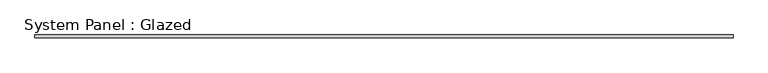
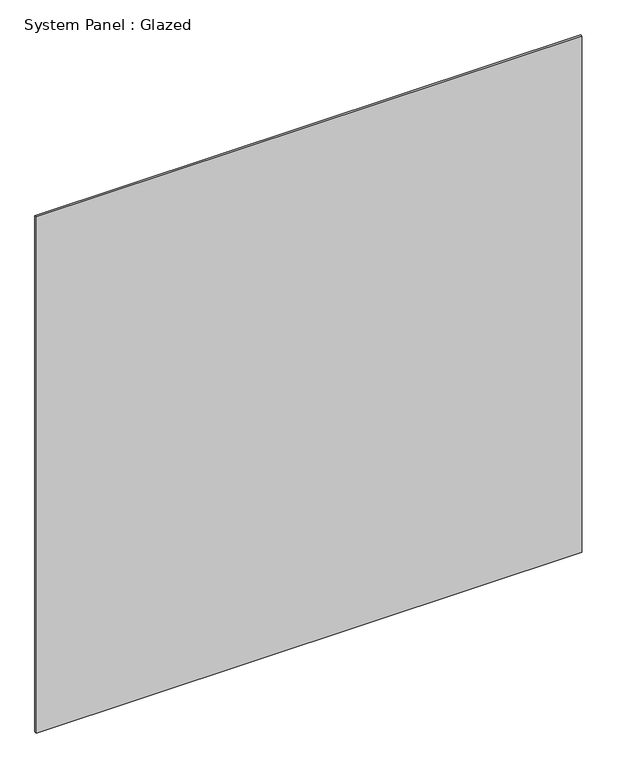
"""IFC4 building model written with IfcOpenShell, lengths in millimetres: plate geometry, System Panel : Glazed."""

from ifc_helpers import new_model, si_unit, origin, origin_with_axes, place, context, project, spatial, polyline, outline, extrude, source, transform, mapped, element, save


def system_panel_glazed_6330a4b2(model_context):
    return source(origin(), model_context, "Body", "SweptSolid", [
        extrude(outline(polyline([(728.6696124, 31.025), (-728.6696124, 31.025), (-728.6696124, 37.375), (728.6696124, 37.375), (728.6696124, 31.025)])), origin_with_axes(), (0.0, 0.0, 1.0), 1457.3107752),
    ])


if __name__ == "__main__":
    model = new_model("IFC4")
    model_context = context("Model", 3, world=origin())
    ifc_project = project(units=[si_unit("LENGTHUNIT", "METRE", prefix="MILLI")], contexts=[model_context])
    site = spatial("IfcSite", under=ifc_project)
    building = spatial("IfcBuilding", under=site)
    placement = place(None, origin())
    system_panel_glazed_shape = system_panel_glazed_6330a4b2(model_context)
    element("IfcPlate", 1, ObjectType="System Panel : Glazed", at=placement, inside=building, context=model_context, shape_type="MappedRepresentation", body=[
        mapped(system_panel_glazed_shape, transform((0.0, 0.0, 0.0), x_axis=(1.0, 0.0, 0.0), y_axis=(0.0, 1.0, 0.0), z_axis=(0.0, 0.0, 1.0))),
    ])
    save(model, "model.ifc")
